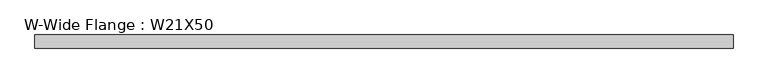
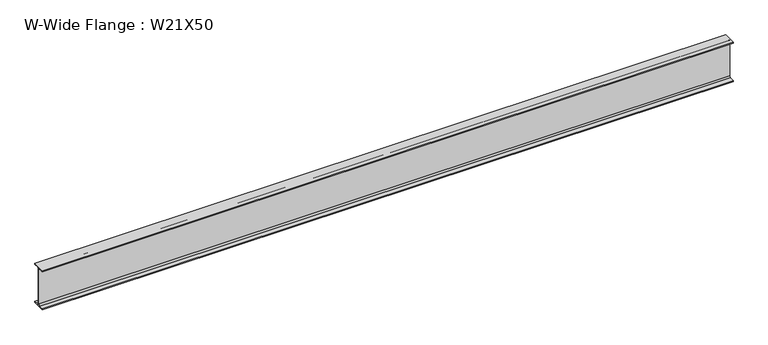
"""IFC4 building model written with IfcOpenShell, lengths in millimetres: beam geometry, W-Wide Flange : W21X50."""

from ifc_helpers import new_model, si_unit, point, frame, frame_2d, origin, place, context, project, spatial, polyline, circle_curve, trimmed, segment, composite_curve, outline, extrude, source, transform, mapped, element, save


def w_wide_flange_w21x50_192d0e8d(model_context):
    return source(origin(), model_context, "Body", "SweptSolid", [
        extrude(outline(composite_curve([segment(polyline([(82.946875, -250.5769531), (82.946875, -264.1699219), (-82.946875, -264.1699219), (-82.946875, -250.5769531), (-22.9691406, -250.5769531)]), True, "CONTINUOUS"), segment(trimmed(circle_curve(frame_2d((-22.9691406, -232.4199219)), 18.1570312), [point((-22.9691406, -250.5769531))], [point((-4.8121094, -232.4199219))], True, "CARTESIAN"), True, "CONTINUOUS"), segment(polyline([(-4.8121094, -232.4199219), (-4.8121094, 232.4199219)]), True, "CONTINUOUS"), segment(trimmed(circle_curve(frame_2d((-22.9691406, 232.4199219)), 18.1570312), [point((-4.8121094, 232.4199219))], [point((-22.9691406, 250.5769531))], True, "CARTESIAN"), True, "CONTINUOUS"), segment(polyline([(-22.9691406, 250.5769531), (-82.946875, 250.5769531), (-82.946875, 264.1699219), (82.946875, 264.1699219), (82.946875, 250.5769531), (22.9691406, 250.5769531)]), True, "CONTINUOUS"), segment(trimmed(circle_curve(frame_2d((22.9691406, 232.4199219)), 18.1570312), [point((22.9691406, 250.5769531))], [point((4.8121094, 232.4199219))], True, "CARTESIAN"), True, "CONTINUOUS"), segment(polyline([(4.8121094, 232.4199219), (4.8121094, -232.4199219)]), True, "CONTINUOUS"), segment(trimmed(circle_curve(frame_2d((22.9691406, -232.4199219)), 18.1570312), [point((4.8121094, -232.4199219))], [point((22.9691406, -250.5769531))], True, "CARTESIAN"), True, "CONTINUOUS"), segment(polyline([(22.9691406, -250.5769531), (82.946875, -250.5769531)]), True, "CONTINUOUS")], self_intersect=False)), frame((-4405.6101563, 0.0, 0.0), z_axis=(1.0, 0.0, 0.0), x_axis=(0.0, 1.0, 0.0)), (0.0, 0.0, 1.0), 8811.2203125),
    ])


if __name__ == "__main__":
    model = new_model("IFC4")
    model_context = context("Model", 3, world=origin())
    ifc_project = project(units=[si_unit("LENGTHUNIT", "METRE", prefix="MILLI")], contexts=[model_context])
    site = spatial("IfcSite", under=ifc_project)
    building = spatial("IfcBuilding", under=site)
    placement = place(None, origin())
    w_wide_flange_w21x50_shape = w_wide_flange_w21x50_192d0e8d(model_context)
    element("IfcBeam", 1, ObjectType="W-Wide Flange : W21X50", at=placement, inside=building, context=model_context, shape_type="MappedRepresentation", body=[
        mapped(w_wide_flange_w21x50_shape, transform((0.0, 0.0, 0.0), x_axis=(1.0, 0.0, 0.0), y_axis=(0.0, 1.0, 0.0), z_axis=(0.0, 0.0, 1.0))),
    ])
    save(model, "model.ifc")
